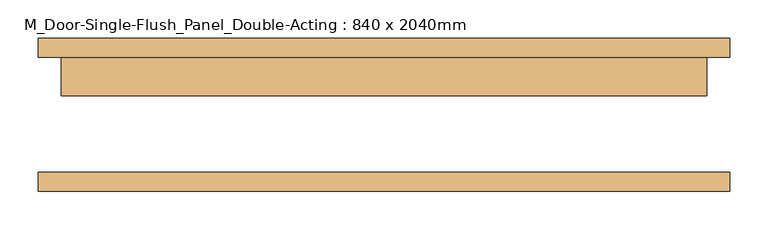
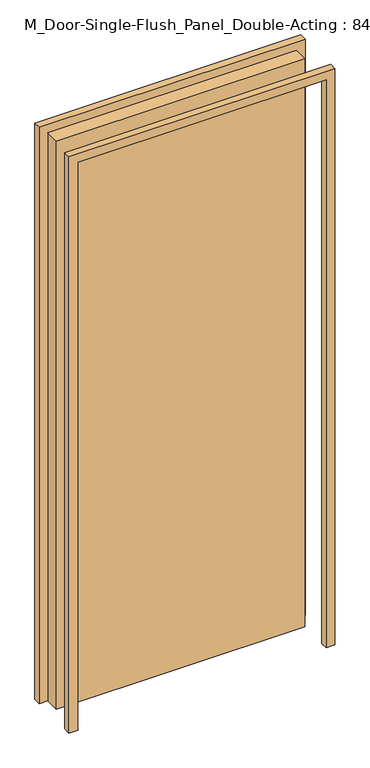
"""IFC4 building model written with IfcOpenShell, lengths in millimetres: door geometry, M_Door-Single-Flush_Panel_Double-Acting : 840 x 2040mm."""

import ifcopenshell
import ifcopenshell.guid

model = None  # the IFC model being written
_history = None  # IfcOwnerHistory: only IFC2X3 demands one
_inside = {}  # id of a spatial element -> (the spatial element, [elements in it])
_under = {}  # id of a project, library or spatial element -> (it, [spatial elements below it])
_declared = {}  # id of a project -> (the project, [libraries it declares])
_typed = {}  # id of a type object -> (the type object, [elements of that type])
_made_of = {}  # id of a material, layer set ... -> (it, [elements and type objects made of it])


def new_model(schema):
    """Start an empty IFC model of exactly this schema.

    Asked for "IFC4X3", IfcOpenShell would pick the latest addendum, in which some entities
    have other attributes; the version numbers below select the first issue.
    IFC2X3 requires an IfcOwnerHistory on every rooted entity: one is made here for all.
    """
    global model, _history
    if schema == "IFC4X3":
        model = ifcopenshell.file(schema_version=(4, 3, 0, 0))
    else:
        model = ifcopenshell.file(schema=schema)
    _inside.clear()
    _under.clear()
    _declared.clear()
    _typed.clear()
    _made_of.clear()
    _history = None
    if model.schema == "IFC2X3":
        org = make("IfcOrganization", Name="unknown")
        user = make(
            "IfcPersonAndOrganization",
            ThePerson=make("IfcPerson", FamilyName="unknown"),
            TheOrganization=org,
        )
        app = make(
            "IfcApplication",
            ApplicationDeveloper=org,
            Version="unknown",
            ApplicationFullName="unknown",
            ApplicationIdentifier="unknown",
        )
        _history = make(
            "IfcOwnerHistory",
            OwningUser=user,
            OwningApplication=app,
            ChangeAction="ADDED",
            CreationDate=0,
        )
    return model


def make(cls, **values):
    """One entity of the class cls with the attributes given. An attribute that is None is left unset."""
    return model.create_entity(
        cls, **{name: value for name, value in values.items() if value is not None}
    )


def rooted(cls, **values):
    """An entity with a GlobalId (a new one), such as an element, a storey or a relation."""
    return make(cls, GlobalId=ifcopenshell.guid.new(), OwnerHistory=_history, **values)


def si_unit(unit_type, name, prefix=None):
    """IfcSIUnit, for example si_unit("LENGTHUNIT", "METRE", prefix="MILLI")."""
    return make("IfcSIUnit", UnitType=unit_type, Prefix=prefix, Name=name)


def assignment(units):
    """IfcUnitAssignment: the units of a project."""
    return None if units is None else make("IfcUnitAssignment", Units=units)


def point(xyz):
    """IfcCartesianPoint."""
    return None if xyz is None else make("IfcCartesianPoint", Coordinates=xyz)


def direction(xyz):
    """IfcDirection."""
    return None if xyz is None else make("IfcDirection", DirectionRatios=xyz)


def frame(location, z_axis=None, x_axis=None):
    """IfcAxis2Placement3D, a coordinate frame: its origin and axes. An axis left out is left unset."""
    return make(
        "IfcAxis2Placement3D",
        Location=point(location),
        Axis=direction(z_axis),
        RefDirection=direction(x_axis),
    )


def origin():
    """The frame at (0, 0, 0) with its axes left unset."""
    return frame((0.0, 0.0, 0.0))


def origin_with_axes():
    """The frame at (0, 0, 0) with the z axis (0, 0, 1) and the x axis (1, 0, 0) written out."""
    return frame((0.0, 0.0, 0.0), z_axis=(0.0, 0.0, 1.0), x_axis=(1.0, 0.0, 0.0))


def place(relative_to, where):
    """IfcLocalPlacement: puts the frame where relative to a parent placement (None: the world)."""
    return make(
        "IfcLocalPlacement", PlacementRelTo=relative_to, RelativePlacement=where
    )


def context(
    kind, dimensions, precision=None, world=None, true_north=None, identifier=None
):
    """IfcGeometricRepresentationContext, for example the 3D "Model" context."""
    return make(
        "IfcGeometricRepresentationContext",
        ContextIdentifier=identifier,
        ContextType=kind,
        CoordinateSpaceDimension=dimensions,
        Precision=precision,
        WorldCoordinateSystem=world,
        TrueNorth=true_north,
    )


def project(units=None, contexts=None):
    """IfcProject with its units and contexts."""
    return rooted(
        "IfcProject",
        Name="project",
        RepresentationContexts=contexts,
        UnitsInContext=assignment(units),
    )


def spatial(cls, under=None, at=None, **own):
    """A site, building, storey or space (cls), placed at a placement, below another one or the project."""
    s = rooted(cls, ObjectPlacement=at, **own)
    if under is not None:
        _under.setdefault(under.id(), (under, []))[1].append(s)
    return s


def polyline(points):
    """IfcPolyline through the points."""
    return make("IfcPolyline", Points=[point(p) for p in points])


def outline(outer, holes=None, kind="AREA"):
    """IfcArbitraryClosedProfileDef: a profile drawn as a closed curve; with holes, ...WithVoids."""
    if holes is None:
        return make("IfcArbitraryClosedProfileDef", ProfileType=kind, OuterCurve=outer)
    return make(
        "IfcArbitraryProfileDefWithVoids",
        ProfileType=kind,
        OuterCurve=outer,
        InnerCurves=holes,
    )


def extrude(swept, where, along, depth):
    """IfcExtrudedAreaSolid: the profile swept, set in the frame where, extruded along a direction by depth."""
    return make(
        "IfcExtrudedAreaSolid",
        SweptArea=swept,
        Position=where,
        ExtrudedDirection=direction(along),
        Depth=depth,
    )


def shape(context_of_items, identifier, shape_type, items):
    """IfcShapeRepresentation: the items that make up one representation, for example the "Body"."""
    return make(
        "IfcShapeRepresentation",
        ContextOfItems=context_of_items,
        RepresentationIdentifier=identifier,
        RepresentationType=shape_type,
        Items=items,
    )


def source(mapping_origin, context_of_items, identifier, shape_type, items):
    """IfcRepresentationMap: a shape defined once, which mapped items show again and again."""
    return make(
        "IfcRepresentationMap",
        MappingOrigin=mapping_origin,
        MappedRepresentation=shape(context_of_items, identifier, shape_type, items),
    )


def transform(
    local_origin,
    x_axis=None,
    y_axis=None,
    z_axis=None,
    scale=None,
    scale2=None,
    scale3=None,
    uniform=True,
):
    """IfcCartesianTransformationOperator3D, or its non-uniform kind. x_axis, y_axis, z_axis: its Axis1, 2, 3."""
    if uniform:
        return make(
            "IfcCartesianTransformationOperator3D",
            Axis1=direction(x_axis),
            Axis2=direction(y_axis),
            LocalOrigin=point(local_origin),
            Scale=scale,
            Axis3=direction(z_axis),
        )
    return make(
        "IfcCartesianTransformationOperator3DnonUniform",
        Axis1=direction(x_axis),
        Axis2=direction(y_axis),
        LocalOrigin=point(local_origin),
        Scale=scale,
        Axis3=direction(z_axis),
        Scale2=scale2,
        Scale3=scale3,
    )


def mapped(mapping_source, mapping_target):
    """IfcMappedItem: shows the shape of a source again, moved by a transform."""
    return make(
        "IfcMappedItem", MappingSource=mapping_source, MappingTarget=mapping_target
    )


def made_of(thing, what):
    """Note that an element or type object is made of a material, layer set ...; save() writes the relation."""
    if what is not None:
        _made_of.setdefault(what.id(), (what, []))[1].append(thing)
    return thing


def element(
    cls,
    number,
    at=None,
    inside=None,
    cuts=None,
    type_object=None,
    material=None,
    context=None,
    identifier="Body",
    shape_type=None,
    held_by="IfcProductDefinitionShape",
    body=None,
    shapes=None,
    **own,
):
    """One element of the class cls, such as IfcWall. Its Tag is "e" and its number.

    at: its placement. inside: the storey or other place that contains it. cuts: it is an
    opening in that element (IfcRelVoidsElement). A single representation is given by context,
    identifier, shape_type and body (its items); several are given by shapes. held_by: the class
    of the entity that holds the representations. save() writes the other relations.
    """
    e = rooted(cls, Tag="e%d" % number, ObjectPlacement=at, **own)
    if body is not None:
        shapes = [shape(context, identifier, shape_type, body)]
    if shapes is not None:
        e.Representation = make(held_by, Representations=shapes)
    if inside is not None:
        _inside.setdefault(inside.id(), (inside, []))[1].append(e)
    if cuts is not None:
        rooted(
            "IfcRelVoidsElement", RelatingBuildingElement=cuts, RelatedOpeningElement=e
        )
    if type_object is not None:
        _typed.setdefault(type_object.id(), (type_object, []))[1].append(e)
    return made_of(e, material)


def aggregate(whole, parts):
    """IfcRelAggregates: a whole, such as a stair, and the parts it consists of."""
    return rooted("IfcRelAggregates", RelatingObject=whole, RelatedObjects=parts)


def save(model, path):
    """Write the relations noted so far, then the file.

    IfcRelAggregates (storeys below a building ...), IfcRelContainedInSpatialStructure (elements
    in a storey), IfcRelDefinesByType, IfcRelAssociatesMaterial and IfcRelDeclares: one each for
    every whole, place, type object, material and project.
    """
    for whole, parts in _under.values():
        aggregate(whole, parts)
    for where, things in _inside.values():
        rooted(
            "IfcRelContainedInSpatialStructure",
            RelatedElements=things,
            RelatingStructure=where,
        )
    for kind, things in _typed.values():
        rooted("IfcRelDefinesByType", RelatedObjects=things, RelatingType=kind)
    for what, things in _made_of.values():
        rooted("IfcRelAssociatesMaterial", RelatedObjects=things, RelatingMaterial=what)
    for by, libraries in _declared.values():
        rooted("IfcRelDeclares", RelatingContext=by, RelatedDefinitions=libraries)
    model.write(path)


def m_door_single_flush_panel_double_acting_840_x_2040mm_8f9704bc(model_context):
    return source(origin(), model_context, "Body", "SweptSolid", [
        extrude(outline(polyline([(422.0, 25.0), (-422.0, 25.0), (-422.0, 75.0), (422.0, 75.0), (422.0, 25.0)])), origin_with_axes(), (0.0, 0.0, 1.0), 2040.0),
        extrude(outline(polyline([(0.0, -422.0), (2040.0, -422.0), (2040.0, 422.0), (0.0, 422.0), (0.0, 452.0), (2070.0, 452.0), (2070.0, -452.0), (0.0, -452.0), (0.0, -422.0)])), frame((0.0, 75.0, 0.0), z_axis=(0.0, 1.0, 0.0), x_axis=(0.0, 0.0, 1.0)), (0.0, 0.0, 1.0), 25.0),
        extrude(outline(polyline([(0.0, 422.0), (0.0, 452.0), (2070.0, 452.0), (2070.0, -452.0), (0.0, -452.0), (0.0, -422.0), (2040.0, -422.0), (2040.0, 422.0), (0.0, 422.0)])), frame((0.0, -100.0, 0.0), z_axis=(0.0, 1.0, 0.0), x_axis=(0.0, 0.0, 1.0)), (0.0, 0.0, 1.0), 25.0),
    ])


if __name__ == "__main__":
    model = new_model("IFC4")
    model_context = context("Model", 3, world=origin())
    ifc_project = project(units=[si_unit("LENGTHUNIT", "METRE", prefix="MILLI")], contexts=[model_context])
    site = spatial("IfcSite", under=ifc_project)
    building = spatial("IfcBuilding", under=site)
    placement = place(None, origin())
    m_door_single_flush_panel_double_acting_840_x_2040mm_shape = m_door_single_flush_panel_double_acting_840_x_2040mm_8f9704bc(model_context)
    element("IfcDoor", 1, ObjectType="M_Door-Single-Flush_Panel_Double-Acting : 840 x 2040mm", at=placement, inside=building, context=model_context, shape_type="MappedRepresentation", body=[
        mapped(m_door_single_flush_panel_double_acting_840_x_2040mm_shape, transform((0.0, 0.0, 0.0), x_axis=(1.0, 0.0, 0.0), y_axis=(0.0, 1.0, 0.0), z_axis=(0.0, 0.0, 1.0))),
    ])
    save(model, "model.ifc")
